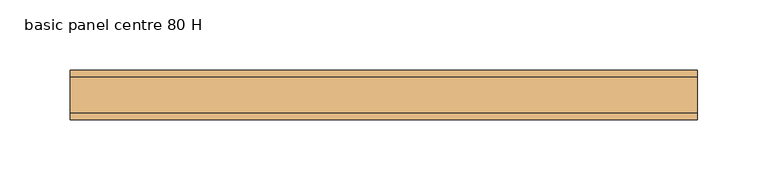
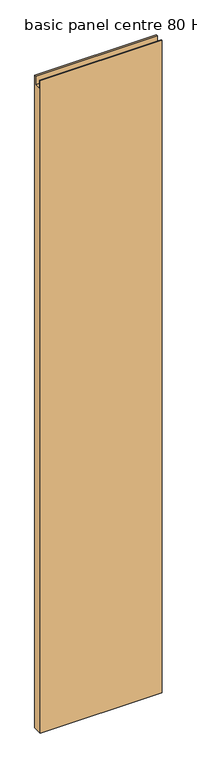
"""IFC4 building model written with IfcOpenShell, lengths in millimetres: door geometry, basic panel centre 80 H."""

from ifc_helpers import new_model, si_unit, frame, origin, place, context, project, spatial, polyline, outline, extrude, source, transform, mapped, element, save


def basic_panel_centre_80_h_06d6612a(model_context):
    return source(origin(), model_context, "Body", "SweptSolid", [
        extrude(outline(polyline([(-17.5, 11.0), (-17.5, 2531.0), (-13.0, 2531.0), (-13.0, 2497.0), (13.0, 2497.0), (13.0, 2531.0), (17.5, 2531.0), (17.5, 11.0), (-17.5, 11.0)])), frame((-223.0, 0.0, 0.0), z_axis=(1.0, 0.0, 0.0), x_axis=(0.0, 1.0, 0.0)), (0.0, 0.0, 1.0), 446.0),
    ])


if __name__ == "__main__":
    model = new_model("IFC4")
    model_context = context("Model", 3, world=origin())
    ifc_project = project(units=[si_unit("LENGTHUNIT", "METRE", prefix="MILLI")], contexts=[model_context])
    site = spatial("IfcSite", under=ifc_project)
    building = spatial("IfcBuilding", under=site)
    placement = place(None, origin())
    basic_panel_centre_80_h_shape = basic_panel_centre_80_h_06d6612a(model_context)
    element("IfcDoor", 1, ObjectType="basic panel centre 80 H", at=placement, inside=building, context=model_context, shape_type="MappedRepresentation", body=[
        mapped(basic_panel_centre_80_h_shape, transform((0.0, 0.0, 0.0), x_axis=(1.0, 0.0, 0.0), y_axis=(0.0, 1.0, 0.0), z_axis=(0.0, 0.0, 1.0))),
    ])
    save(model, "model.ifc")
